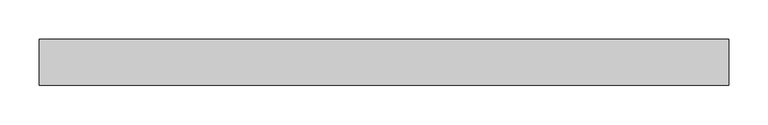
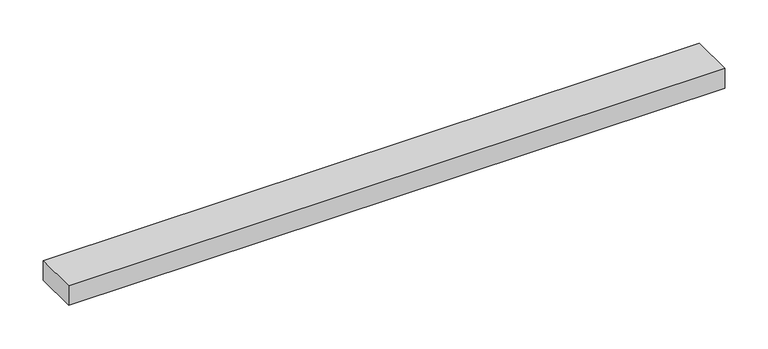
"""IFC4 building model written with IfcOpenShell, lengths in millimetres: proxy geometry."""

from ifc_helpers import new_model, si_unit, frame, origin, place, context, project, spatial, polyline, outline, extrude, source, transform, mapped, element, save


def specialty_equipment_9ee15f2f(model_context):
    return source(origin(), model_context, "Body", "SweptSolid", [
        extrude(outline(polyline([(-438.0840872, -29.2199219), (-438.0840872, 29.2199219), (438.0840872, 29.2199219), (438.0840872, -29.2199219), (-438.0840872, -29.2199219)])), frame((0.0, 0.0, -13.9898438), z_axis=(0.0, 0.0, 1.0), x_axis=(1.0, 0.0, 0.0)), (0.0, 0.0, 1.0), 27.9796875),
    ])


if __name__ == "__main__":
    model = new_model("IFC4")
    model_context = context("Model", 3, world=origin())
    ifc_project = project(units=[si_unit("LENGTHUNIT", "METRE", prefix="MILLI")], contexts=[model_context])
    site = spatial("IfcSite", under=ifc_project)
    building = spatial("IfcBuilding", under=site)
    placement = place(None, origin())
    specialty_equipment_shape = specialty_equipment_9ee15f2f(model_context)
    element("IfcBuildingElementProxy", 1, Name="Specialty Equipment", at=placement, inside=building, context=model_context, shape_type="MappedRepresentation", body=[
        mapped(specialty_equipment_shape, transform((0.0, 0.0, 0.0), x_axis=(1.0, 0.0, 0.0), y_axis=(0.0, 1.0, 0.0), z_axis=(0.0, 0.0, 1.0))),
    ])
    save(model, "model.ifc")
